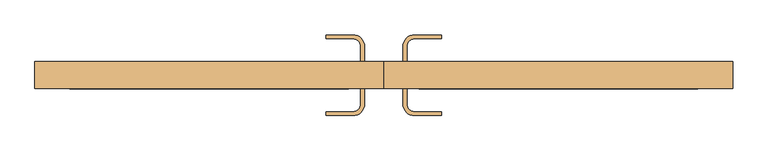
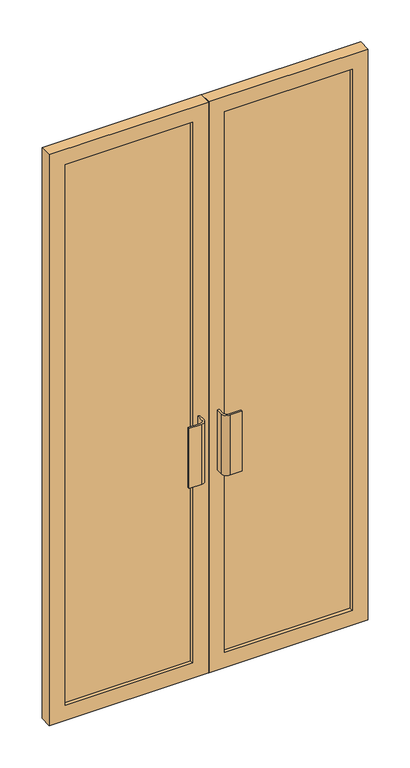
"""IFC4 building model written with IfcOpenShell, lengths in millimetres: door geometry."""

from ifc_helpers import new_model, si_unit, point, frame, frame_2d, origin, place, context, project, spatial, polyline, circle_curve, trimmed, segment, composite_curve, outline, extrude, source, transform, mapped, element, save


def door_d8369488(model_context):
    return source(origin(), model_context, "Body", "SweptSolid", [
        extrude(outline(composite_curve([segment(trimmed(circle_curve(frame_2d((-50.8, -14.85)), 19.05), [point((-31.75, -14.85))], [point((-50.8, -33.9))], False, "CARTESIAN"), True, "CONTINUOUS"), segment(polyline([(-50.8, -33.9), (-95.25, -33.9), (-95.25, -27.55), (-50.8, -27.55)]), True, "CONTINUOUS"), segment(trimmed(circle_curve(frame_2d((-50.8, -14.85)), 12.7), [point((-50.8, -27.55))], [point((-38.1, -14.85))], True, "CARTESIAN"), True, "CONTINUOUS"), segment(polyline([(-38.1, -14.85), (-38.1, 10.55), (-31.75, 10.55), (-31.75, -14.85)]), True, "CONTINUOUS")], self_intersect=False)), frame((0.0, 0.0, 762.0), z_axis=(0.0, 0.0, 1.0), x_axis=(1.0, 0.0, 0.0)), (0.0, 0.0, 1.0), 228.6),
        extrude(outline(composite_curve([segment(polyline([(31.75, -14.85), (31.75, 10.55), (38.1, 10.55), (38.1, -14.85)]), True, "CONTINUOUS"), segment(trimmed(circle_curve(frame_2d((50.8, -14.85)), 12.7), [point((38.1, -14.85))], [point((50.8, -27.55))], True, "CARTESIAN"), True, "CONTINUOUS"), segment(polyline([(50.8, -27.55), (95.25, -27.55), (95.25, -33.9), (50.8, -33.9)]), True, "CONTINUOUS"), segment(trimmed(circle_curve(frame_2d((50.8, -14.85)), 19.05), [point((50.8, -33.9))], [point((31.75, -14.85))], False, "CARTESIAN"), True, "CONTINUOUS")], self_intersect=False)), frame((0.0, 0.0, 762.0), z_axis=(0.0, 0.0, 1.0), x_axis=(1.0, 0.0, 0.0)), (0.0, 0.0, 1.0), 228.6),
        extrude(outline(composite_curve([segment(polyline([(-31.75, 80.4), (-31.75, 55.0), (-38.1, 55.0), (-38.1, 80.4)]), True, "CONTINUOUS"), segment(trimmed(circle_curve(frame_2d((-50.8, 80.4)), 12.7), [point((-38.1, 80.4))], [point((-50.8, 93.1))], True, "CARTESIAN"), True, "CONTINUOUS"), segment(polyline([(-50.8, 93.1), (-95.25, 93.1), (-95.25, 99.45), (-50.8, 99.45)]), True, "CONTINUOUS"), segment(trimmed(circle_curve(frame_2d((-50.8, 80.4)), 19.05), [point((-50.8, 99.45))], [point((-31.75, 80.4))], False, "CARTESIAN"), True, "CONTINUOUS")], self_intersect=False)), frame((0.0, 0.0, 762.0), z_axis=(0.0, 0.0, 1.0), x_axis=(1.0, 0.0, 0.0)), (0.0, 0.0, 1.0), 228.6),
        extrude(outline(composite_curve([segment(trimmed(circle_curve(frame_2d((50.8, 80.4)), 19.05), [point((31.75, 80.4))], [point((50.8, 99.45))], False, "CARTESIAN"), True, "CONTINUOUS"), segment(polyline([(50.8, 99.45), (95.25, 99.45), (95.25, 93.1), (50.8, 93.1)]), True, "CONTINUOUS"), segment(trimmed(circle_curve(frame_2d((50.8, 80.4)), 12.7), [point((50.8, 93.1))], [point((38.1, 80.4))], True, "CARTESIAN"), True, "CONTINUOUS"), segment(polyline([(38.1, 80.4), (38.1, 55.0), (31.75, 55.0), (31.75, 80.4)]), True, "CONTINUOUS")], self_intersect=False)), frame((0.0, 0.0, 762.0), z_axis=(0.0, 0.0, 1.0), x_axis=(1.0, 0.0, 0.0)), (0.0, 0.0, 1.0), 228.6),
        extrude(outline(polyline([(517.85, 23.25), (57.94375, 23.25), (57.94375, 42.3), (517.85, 42.3), (517.85, 23.25)])), frame((0.0, 0.0, 57.15), z_axis=(0.0, 0.0, 1.0), x_axis=(1.0, 0.0, 0.0)), (0.0, 0.0, 1.0), 2060.7),
        extrude(outline(polyline([(-57.94375, 23.25), (-517.85, 23.25), (-517.85, 42.3), (-57.94375, 42.3), (-57.94375, 23.25)])), frame((0.0, 0.0, 57.15), z_axis=(0.0, 0.0, 1.0), x_axis=(1.0, 0.0, 0.0)), (0.0, 0.0, 1.0), 2060.7),
        extrude(outline(polyline([(2175.0, 0.79375), (0.0, 0.79375), (0.0, 575.0), (2175.0, 575.0), (2175.0, 0.79375)]), holes=[polyline([(2117.85, 57.94375), (2117.85, 517.85), (57.15, 517.85), (57.15, 57.94375), (2117.85, 57.94375)])]), frame((0.0, 10.55, 0.0), z_axis=(0.0, 1.0, 0.0), x_axis=(0.0, 0.0, 1.0)), (0.0, 0.0, 1.0), 44.45),
        extrude(outline(polyline([(2175.0, -0.79375), (2175.0, -575.0), (0.0, -575.0), (0.0, -0.79375), (2175.0, -0.79375)]), holes=[polyline([(2117.85, -517.85), (2117.85, -57.94375), (57.15, -57.94375), (57.15, -517.85), (2117.85, -517.85)])]), frame((0.0, 10.55, 0.0), z_axis=(0.0, 1.0, 0.0), x_axis=(0.0, 0.0, 1.0)), (0.0, 0.0, 1.0), 44.45),
    ])


if __name__ == "__main__":
    model = new_model("IFC4")
    model_context = context("Model", 3, world=origin())
    ifc_project = project(units=[si_unit("LENGTHUNIT", "METRE", prefix="MILLI")], contexts=[model_context])
    site = spatial("IfcSite", under=ifc_project)
    building = spatial("IfcBuilding", under=site)
    placement = place(None, origin())
    door_shape = door_d8369488(model_context)
    element("IfcDoor", 1, at=placement, inside=building, context=model_context, shape_type="MappedRepresentation", body=[
        mapped(door_shape, transform((0.0, 0.0, 0.0), x_axis=(1.0, 0.0, 0.0), y_axis=(0.0, 1.0, 0.0), z_axis=(0.0, 0.0, 1.0))),
    ])
    save(model, "model.ifc")
